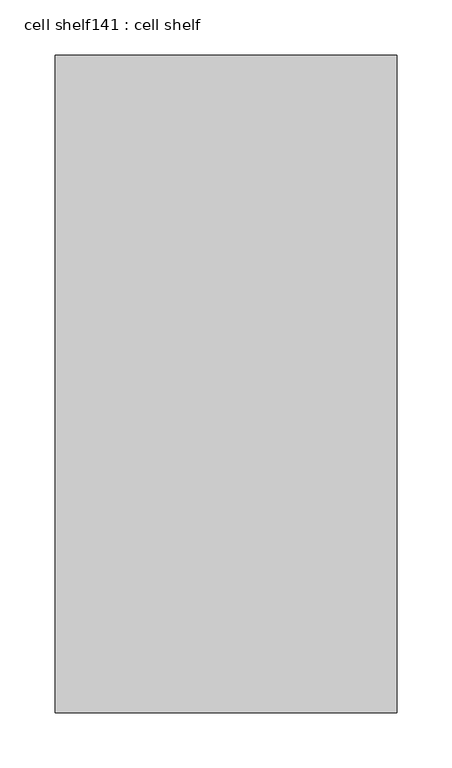
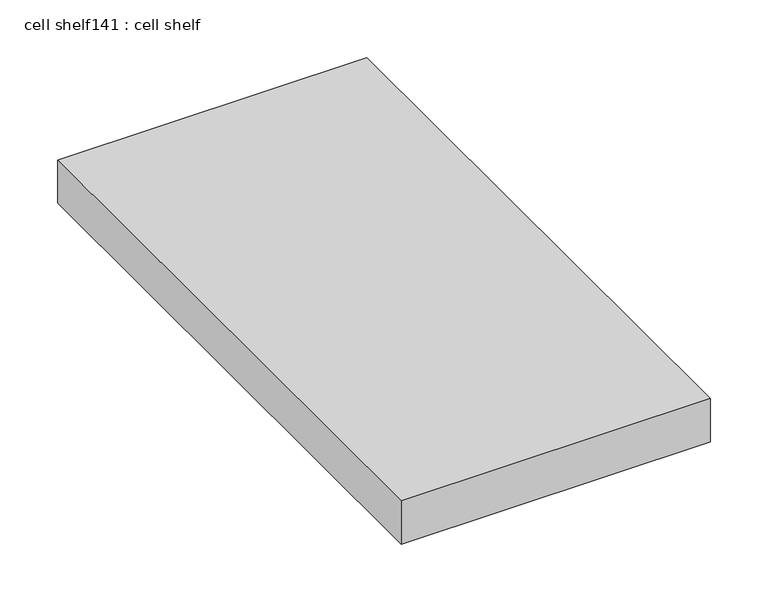
"""IFC4 building model written with IfcOpenShell, lengths in millimetres: proxy geometry, cell shelf141 : cell shelf."""

import ifcopenshell
import ifcopenshell.guid

model = None  # the IFC model being written
_history = None  # IfcOwnerHistory: only IFC2X3 demands one
_inside = {}  # id of a spatial element -> (the spatial element, [elements in it])
_under = {}  # id of a project, library or spatial element -> (it, [spatial elements below it])
_declared = {}  # id of a project -> (the project, [libraries it declares])
_typed = {}  # id of a type object -> (the type object, [elements of that type])
_made_of = {}  # id of a material, layer set ... -> (it, [elements and type objects made of it])


def new_model(schema):
    """Start an empty IFC model of exactly this schema.

    Asked for "IFC4X3", IfcOpenShell would pick the latest addendum, in which some entities
    have other attributes; the version numbers below select the first issue.
    IFC2X3 requires an IfcOwnerHistory on every rooted entity: one is made here for all.
    """
    global model, _history
    if schema == "IFC4X3":
        model = ifcopenshell.file(schema_version=(4, 3, 0, 0))
    else:
        model = ifcopenshell.file(schema=schema)
    _inside.clear()
    _under.clear()
    _declared.clear()
    _typed.clear()
    _made_of.clear()
    _history = None
    if model.schema == "IFC2X3":
        org = make("IfcOrganization", Name="unknown")
        user = make(
            "IfcPersonAndOrganization",
            ThePerson=make("IfcPerson", FamilyName="unknown"),
            TheOrganization=org,
        )
        app = make(
            "IfcApplication",
            ApplicationDeveloper=org,
            Version="unknown",
            ApplicationFullName="unknown",
            ApplicationIdentifier="unknown",
        )
        _history = make(
            "IfcOwnerHistory",
            OwningUser=user,
            OwningApplication=app,
            ChangeAction="ADDED",
            CreationDate=0,
        )
    return model


def make(cls, **values):
    """One entity of the class cls with the attributes given. An attribute that is None is left unset."""
    return model.create_entity(
        cls, **{name: value for name, value in values.items() if value is not None}
    )


def rooted(cls, **values):
    """An entity with a GlobalId (a new one), such as an element, a storey or a relation."""
    return make(cls, GlobalId=ifcopenshell.guid.new(), OwnerHistory=_history, **values)


def si_unit(unit_type, name, prefix=None):
    """IfcSIUnit, for example si_unit("LENGTHUNIT", "METRE", prefix="MILLI")."""
    return make("IfcSIUnit", UnitType=unit_type, Prefix=prefix, Name=name)


def assignment(units):
    """IfcUnitAssignment: the units of a project."""
    return None if units is None else make("IfcUnitAssignment", Units=units)


def point(xyz):
    """IfcCartesianPoint."""
    return None if xyz is None else make("IfcCartesianPoint", Coordinates=xyz)


def direction(xyz):
    """IfcDirection."""
    return None if xyz is None else make("IfcDirection", DirectionRatios=xyz)


def frame(location, z_axis=None, x_axis=None):
    """IfcAxis2Placement3D, a coordinate frame: its origin and axes. An axis left out is left unset."""
    return make(
        "IfcAxis2Placement3D",
        Location=point(location),
        Axis=direction(z_axis),
        RefDirection=direction(x_axis),
    )


def origin():
    """The frame at (0, 0, 0) with its axes left unset."""
    return frame((0.0, 0.0, 0.0))


def place(relative_to, where):
    """IfcLocalPlacement: puts the frame where relative to a parent placement (None: the world)."""
    return make(
        "IfcLocalPlacement", PlacementRelTo=relative_to, RelativePlacement=where
    )


def context(
    kind, dimensions, precision=None, world=None, true_north=None, identifier=None
):
    """IfcGeometricRepresentationContext, for example the 3D "Model" context."""
    return make(
        "IfcGeometricRepresentationContext",
        ContextIdentifier=identifier,
        ContextType=kind,
        CoordinateSpaceDimension=dimensions,
        Precision=precision,
        WorldCoordinateSystem=world,
        TrueNorth=true_north,
    )


def project(units=None, contexts=None):
    """IfcProject with its units and contexts."""
    return rooted(
        "IfcProject",
        Name="project",
        RepresentationContexts=contexts,
        UnitsInContext=assignment(units),
    )


def spatial(cls, under=None, at=None, **own):
    """A site, building, storey or space (cls), placed at a placement, below another one or the project."""
    s = rooted(cls, ObjectPlacement=at, **own)
    if under is not None:
        _under.setdefault(under.id(), (under, []))[1].append(s)
    return s


def polyline(points):
    """IfcPolyline through the points."""
    return make("IfcPolyline", Points=[point(p) for p in points])


def outline(outer, holes=None, kind="AREA"):
    """IfcArbitraryClosedProfileDef: a profile drawn as a closed curve; with holes, ...WithVoids."""
    if holes is None:
        return make("IfcArbitraryClosedProfileDef", ProfileType=kind, OuterCurve=outer)
    return make(
        "IfcArbitraryProfileDefWithVoids",
        ProfileType=kind,
        OuterCurve=outer,
        InnerCurves=holes,
    )


def extrude(swept, where, along, depth):
    """IfcExtrudedAreaSolid: the profile swept, set in the frame where, extruded along a direction by depth."""
    return make(
        "IfcExtrudedAreaSolid",
        SweptArea=swept,
        Position=where,
        ExtrudedDirection=direction(along),
        Depth=depth,
    )


def shape(context_of_items, identifier, shape_type, items):
    """IfcShapeRepresentation: the items that make up one representation, for example the "Body"."""
    return make(
        "IfcShapeRepresentation",
        ContextOfItems=context_of_items,
        RepresentationIdentifier=identifier,
        RepresentationType=shape_type,
        Items=items,
    )


def source(mapping_origin, context_of_items, identifier, shape_type, items):
    """IfcRepresentationMap: a shape defined once, which mapped items show again and again."""
    return make(
        "IfcRepresentationMap",
        MappingOrigin=mapping_origin,
        MappedRepresentation=shape(context_of_items, identifier, shape_type, items),
    )


def transform(
    local_origin,
    x_axis=None,
    y_axis=None,
    z_axis=None,
    scale=None,
    scale2=None,
    scale3=None,
    uniform=True,
):
    """IfcCartesianTransformationOperator3D, or its non-uniform kind. x_axis, y_axis, z_axis: its Axis1, 2, 3."""
    if uniform:
        return make(
            "IfcCartesianTransformationOperator3D",
            Axis1=direction(x_axis),
            Axis2=direction(y_axis),
            LocalOrigin=point(local_origin),
            Scale=scale,
            Axis3=direction(z_axis),
        )
    return make(
        "IfcCartesianTransformationOperator3DnonUniform",
        Axis1=direction(x_axis),
        Axis2=direction(y_axis),
        LocalOrigin=point(local_origin),
        Scale=scale,
        Axis3=direction(z_axis),
        Scale2=scale2,
        Scale3=scale3,
    )


def mapped(mapping_source, mapping_target):
    """IfcMappedItem: shows the shape of a source again, moved by a transform."""
    return make(
        "IfcMappedItem", MappingSource=mapping_source, MappingTarget=mapping_target
    )


def made_of(thing, what):
    """Note that an element or type object is made of a material, layer set ...; save() writes the relation."""
    if what is not None:
        _made_of.setdefault(what.id(), (what, []))[1].append(thing)
    return thing


def element(
    cls,
    number,
    at=None,
    inside=None,
    cuts=None,
    type_object=None,
    material=None,
    context=None,
    identifier="Body",
    shape_type=None,
    held_by="IfcProductDefinitionShape",
    body=None,
    shapes=None,
    **own,
):
    """One element of the class cls, such as IfcWall. Its Tag is "e" and its number.

    at: its placement. inside: the storey or other place that contains it. cuts: it is an
    opening in that element (IfcRelVoidsElement). A single representation is given by context,
    identifier, shape_type and body (its items); several are given by shapes. held_by: the class
    of the entity that holds the representations. save() writes the other relations.
    """
    e = rooted(cls, Tag="e%d" % number, ObjectPlacement=at, **own)
    if body is not None:
        shapes = [shape(context, identifier, shape_type, body)]
    if shapes is not None:
        e.Representation = make(held_by, Representations=shapes)
    if inside is not None:
        _inside.setdefault(inside.id(), (inside, []))[1].append(e)
    if cuts is not None:
        rooted(
            "IfcRelVoidsElement", RelatingBuildingElement=cuts, RelatedOpeningElement=e
        )
    if type_object is not None:
        _typed.setdefault(type_object.id(), (type_object, []))[1].append(e)
    return made_of(e, material)


def aggregate(whole, parts):
    """IfcRelAggregates: a whole, such as a stair, and the parts it consists of."""
    return rooted("IfcRelAggregates", RelatingObject=whole, RelatedObjects=parts)


def save(model, path):
    """Write the relations noted so far, then the file.

    IfcRelAggregates (storeys below a building ...), IfcRelContainedInSpatialStructure (elements
    in a storey), IfcRelDefinesByType, IfcRelAssociatesMaterial and IfcRelDeclares: one each for
    every whole, place, type object, material and project.
    """
    for whole, parts in _under.values():
        aggregate(whole, parts)
    for where, things in _inside.values():
        rooted(
            "IfcRelContainedInSpatialStructure",
            RelatedElements=things,
            RelatingStructure=where,
        )
    for kind, things in _typed.values():
        rooted("IfcRelDefinesByType", RelatedObjects=things, RelatingType=kind)
    for what, things in _made_of.values():
        rooted("IfcRelAssociatesMaterial", RelatedObjects=things, RelatingMaterial=what)
    for by, libraries in _declared.values():
        rooted("IfcRelDeclares", RelatingContext=by, RelatedDefinitions=libraries)
    model.write(path)


def cell_shelf141_cell_shelf_866a7f27(model_context):
    return source(origin(), model_context, "Body", "SweptSolid", [
        extrude(outline(polyline([(-117974.4407024, -45487.0417641), (-117974.4407024, -44891.9553685), (-117665.0929059, -44891.9553685), (-117665.0929059, -45487.0417641), (-117974.4407024, -45487.0417641)])), frame((0.0, 0.0, 1320.0941517), z_axis=(0.0, 0.0, 1.0), x_axis=(1.0, 0.0, 0.0)), (0.0, 0.0, 1.0), 45.8133004),
    ])


if __name__ == "__main__":
    model = new_model("IFC4")
    model_context = context("Model", 3, world=origin())
    ifc_project = project(units=[si_unit("LENGTHUNIT", "METRE", prefix="MILLI")], contexts=[model_context])
    site = spatial("IfcSite", under=ifc_project)
    building = spatial("IfcBuilding", under=site)
    placement = place(None, origin())
    cell_shelf141_cell_shelf_shape = cell_shelf141_cell_shelf_866a7f27(model_context)
    element("IfcBuildingElementProxy", 1, Name="cell shelf141 : cell shelf", ObjectType="cell shelf141 : cell shelf", at=placement, inside=building, context=model_context, shape_type="MappedRepresentation", body=[
        mapped(cell_shelf141_cell_shelf_shape, transform((0.0, 0.0, 0.0), x_axis=(1.0, 0.0, 0.0), y_axis=(0.0, 1.0, 0.0), z_axis=(0.0, 0.0, 1.0))),
    ])
    save(model, "model.ifc")
